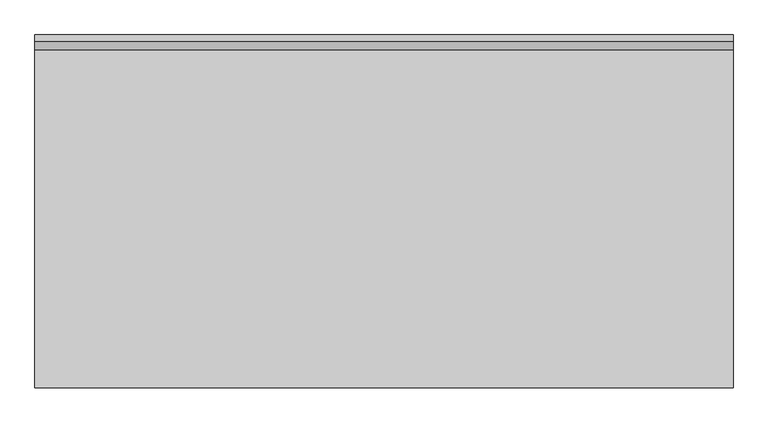
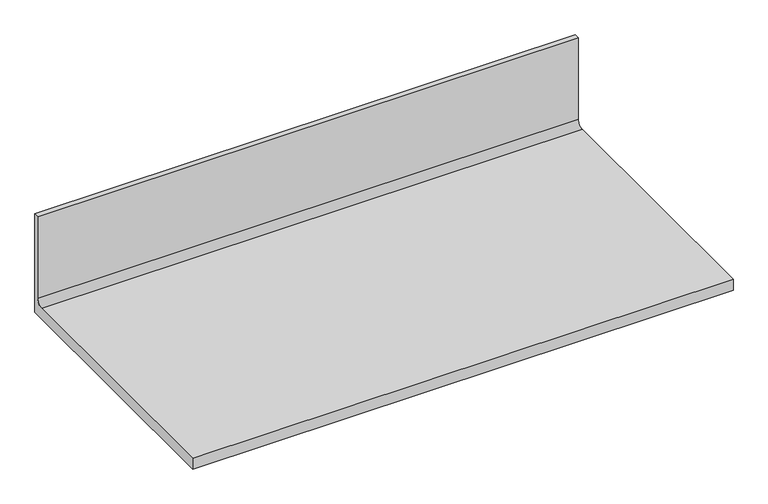
"""IFC4 building model written with IfcOpenShell, lengths in millimetres: furniture geometry."""

from ifc_helpers import new_model, si_unit, point, frame, frame_2d, origin, place, context, project, spatial, polyline, circle_curve, trimmed, segment, composite_curve, outline, extrude, source, transform, mapped, element, save


def furniture_a4d68d25(model_context):
    return source(origin(), model_context, "Body", "SweptSolid", [
        extrude(outline(composite_curve([segment(polyline([(0.0, 889.0), (-615.95, 889.0), (-615.95, 914.4), (-25.8191, 914.4)]), True, "CONTINUOUS"), segment(trimmed(circle_curve(frame_2d((-25.8191, 929.1066)), 14.7066), [point((-25.8191, 914.4))], [point((-11.1125, 929.1066))], True, "CARTESIAN"), True, "CONTINUOUS"), segment(polyline([(-11.1125, 929.1066), (-11.1125, 1123.95), (0.0, 1123.95), (0.0, 889.0)]), True, "CONTINUOUS")], self_intersect=False)), frame((0.0, 0.0, 0.0), z_axis=(1.0, 0.0, 0.0), x_axis=(0.0, 1.0, 0.0)), (0.0, 0.0, 1.0), 1219.2),
    ])


if __name__ == "__main__":
    model = new_model("IFC4")
    model_context = context("Model", 3, world=origin())
    ifc_project = project(units=[si_unit("LENGTHUNIT", "METRE", prefix="MILLI")], contexts=[model_context])
    site = spatial("IfcSite", under=ifc_project)
    building = spatial("IfcBuilding", under=site)
    placement = place(None, origin())
    furniture_shape = furniture_a4d68d25(model_context)
    element("IfcFurniture", 1, at=placement, inside=building, context=model_context, shape_type="MappedRepresentation", body=[
        mapped(furniture_shape, transform((0.0, 0.0, 0.0), x_axis=(1.0, 0.0, 0.0), y_axis=(0.0, 1.0, 0.0), z_axis=(0.0, 0.0, 1.0))),
    ])
    save(model, "model.ifc")
